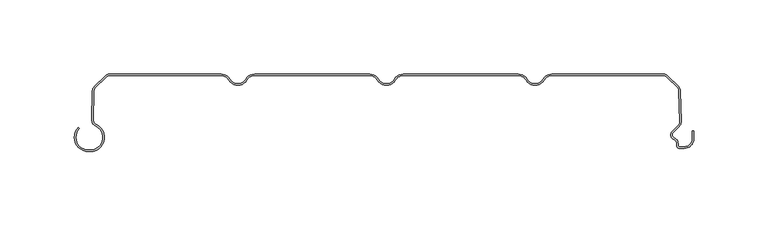
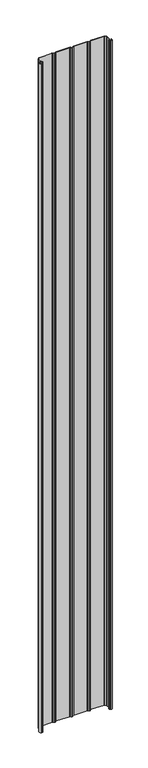
"""IFC4 building model written with IfcOpenShell, lengths in millimetres: plate geometry."""

from ifc_helpers import new_model, si_unit, point, frame_2d, origin, origin_with_axes, place, context, project, spatial, polyline, circle_curve, trimmed, segment, composite_curve, outline, extrude, source, transform, mapped, element, save


def plate_9e2b871a(model_context):
    return source(origin(), model_context, "Body", "SweptSolid", [
        extrude(outline(composite_curve([segment(polyline([(-200.5602536, -51.1554676), (-199.3062536, -51.1554676)]), True, "CONTINUOUS"), segment(trimmed(circle_curve(frame_2d((-199.3062536, -42.6554676)), 8.5), [point((-199.3062536, -51.1554676))], [point((-195.7922983, -34.9158218))], True, "CARTESIAN"), True, "CONTINUOUS"), segment(trimmed(circle_curve(frame_2d((-194.0973316, -31.1825808)), 4.1), [point((-195.7922983, -34.9158218))], [point((-198.1663398, -30.6794186))], False, "CARTESIAN"), True, "CONTINUOUS"), segment(trimmed(circle_curve(frame_2d((-297.0345923, -19.4848369)), 99.5), [point((-198.1663398, -30.6794186))], [point((-197.82984, -11.8253904))], True, "CARTESIAN"), True, "CONTINUOUS"), segment(trimmed(circle_curve(frame_2d((-193.7516341, -11.4032093)), 4.1), [point((-197.82984, -11.8253904))], [point((-196.6507719, -8.5040715))], False, "CARTESIAN"), True, "CONTINUOUS"), segment(polyline([(-196.6507719, -8.5040715), (-189.3475626, -1.2008622)]), True, "CONTINUOUS"), segment(trimmed(circle_curve(frame_2d((-186.4484248, -4.1)), 4.1), [point((-189.3475626, -1.2008622))], [point((-186.4484248, 0.0))], False, "CARTESIAN"), True, "CONTINUOUS"), segment(polyline([(-186.4484248, 0.0), (-111.2583302, 0.0)]), True, "CONTINUOUS"), segment(trimmed(circle_curve(frame_2d((-111.2583302, -7.0)), 7.0), [point((-111.2583302, 0.0))], [point((-105.1961524, -3.5))], False, "CARTESIAN"), True, "CONTINUOUS"), segment(trimmed(circle_curve(frame_2d((-100.0, -0.5)), 6.0), [point((-105.1961524, -3.5))], [point((-100.0, -6.5))], True, "CARTESIAN"), True, "CONTINUOUS"), segment(trimmed(circle_curve(frame_2d((-100.0, -0.5)), 6.0), [point((-100.0, -6.5))], [point((-94.8038476, -3.5))], True, "CARTESIAN"), True, "CONTINUOUS"), segment(trimmed(circle_curve(frame_2d((-88.7416698, -7.0)), 7.0), [point((-94.8038476, -3.5))], [point((-88.7416698, 0.0))], False, "CARTESIAN"), True, "CONTINUOUS"), segment(polyline([(-88.7416698, 0.0), (-11.2583302, 0.0)]), True, "CONTINUOUS"), segment(trimmed(circle_curve(frame_2d((-11.2583302, -7.0)), 7.0), [point((-11.2583302, 0.0))], [point((-5.1961524, -3.5))], False, "CARTESIAN"), True, "CONTINUOUS"), segment(trimmed(circle_curve(frame_2d((0.0, -0.5)), 6.0), [point((-5.1961524, -3.5))], [point((0.0, -6.5))], True, "CARTESIAN"), True, "CONTINUOUS"), segment(trimmed(circle_curve(frame_2d((0.0, -0.5)), 6.0), [point((0.0, -6.5))], [point((5.1961524, -3.5))], True, "CARTESIAN"), True, "CONTINUOUS"), segment(trimmed(circle_curve(frame_2d((11.2583302, -7.0)), 7.0), [point((5.1961524, -3.5))], [point((11.2583302, 0.0))], False, "CARTESIAN"), True, "CONTINUOUS"), segment(polyline([(11.2583302, 0.0), (88.7416698, 0.0)]), True, "CONTINUOUS"), segment(trimmed(circle_curve(frame_2d((88.7416698, -7.0)), 7.0), [point((88.7416698, 0.0))], [point((94.8038476, -3.5))], False, "CARTESIAN"), True, "CONTINUOUS"), segment(trimmed(circle_curve(frame_2d((100.0, -0.5)), 6.0), [point((94.8038476, -3.5))], [point((100.0, -6.5))], True, "CARTESIAN"), True, "CONTINUOUS"), segment(trimmed(circle_curve(frame_2d((100.0, -0.5)), 6.0), [point((100.0, -6.5))], [point((105.1961524, -3.5))], True, "CARTESIAN"), True, "CONTINUOUS"), segment(trimmed(circle_curve(frame_2d((111.2583302, -7.0)), 7.0), [point((105.1961524, -3.5))], [point((111.2583302, 0.0))], False, "CARTESIAN"), True, "CONTINUOUS"), segment(polyline([(111.2583302, 0.0), (186.4484248, 0.0)]), True, "CONTINUOUS"), segment(trimmed(circle_curve(frame_2d((186.4484248, -4.1)), 4.1), [point((186.4484248, 0.0))], [point((189.3475626, -1.2008622))], False, "CARTESIAN"), True, "CONTINUOUS"), segment(polyline([(189.3475626, -1.2008622), (196.6502639, -8.5035635)]), True, "CONTINUOUS"), segment(trimmed(circle_curve(frame_2d((193.7511261, -11.4027013)), 4.1), [point((196.6502639, -8.5035635))], [point((197.8293418, -11.8247881))], False, "CARTESIAN"), True, "CONTINUOUS"), segment(trimmed(circle_curve(frame_2d((297.0375761, -19.4390014)), 99.5), [point((197.8293418, -11.8247881))], [point((198.2850442, -31.6122279))], True, "CARTESIAN"), True, "CONTINUOUS"), segment(trimmed(circle_curve(frame_2d((193.9914801, -32.1706247)), 4.3297228), [point((198.2850442, -31.6122279))], [point((196.9270442, -35.3532279))], False, "CARTESIAN"), True, "CONTINUOUS"), segment(polyline([(196.9270442, -35.3532279), (192.8931689, -39.3871033)]), True, "CONTINUOUS"), segment(trimmed(circle_curve(frame_2d((194.4488038, -40.9427382)), 2.2), [point((192.8931689, -39.3871033))], [point((193.6238712, -42.98222))], True, "CARTESIAN"), True, "CONTINUOUS"), segment(trimmed(circle_curve(frame_2d((192.049, -46.8757763)), 4.2), [point((193.6238712, -42.98222))], [point((196.249, -46.8757763))], False, "CARTESIAN"), True, "CONTINUOUS"), segment(polyline([(196.249, -46.8757763), (196.249, -48.0)]), True, "CONTINUOUS"), segment(trimmed(circle_curve(frame_2d((197.249, -48.0)), 1.0), [point((196.249, -48.0))], [point((197.249, -49.0))], True, "CARTESIAN"), True, "CONTINUOUS"), segment(polyline([(197.249, -49.0), (200.55, -49.0)]), True, "CONTINUOUS"), segment(trimmed(circle_curve(frame_2d((200.55, -43.8)), 5.2), [point((200.55, -49.0))], [point((205.75, -43.8))], True, "CARTESIAN"), True, "CONTINUOUS"), segment(polyline([(205.75, -43.8), (205.75, -38.169), (206.75, -38.169), (206.75, -43.8)]), True, "CONTINUOUS"), segment(trimmed(circle_curve(frame_2d((200.55, -43.8)), 6.2), [point((206.75, -43.8))], [point((200.55, -50.0))], False, "CARTESIAN"), True, "CONTINUOUS"), segment(polyline([(200.55, -50.0), (197.249, -50.0)]), True, "CONTINUOUS"), segment(trimmed(circle_curve(frame_2d((197.249, -48.0)), 2.0), [point((197.249, -50.0))], [point((195.249, -48.0))], False, "CARTESIAN"), True, "CONTINUOUS"), segment(polyline([(195.249, -48.0), (195.249, -46.8757763)]), True, "CONTINUOUS"), segment(trimmed(circle_curve(frame_2d((192.049, -46.8757763)), 3.2), [point((195.249, -46.8757763))], [point((193.2489019, -43.9092572))], True, "CARTESIAN"), True, "CONTINUOUS"), segment(trimmed(circle_curve(frame_2d((194.4488038, -40.9427382)), 3.2), [point((193.2489019, -43.9092572))], [point((192.1860621, -38.6799965))], False, "CARTESIAN"), True, "CONTINUOUS"), segment(polyline([(192.1860621, -38.6799965), (196.2351433, -34.6309152)]), True, "CONTINUOUS"), segment(trimmed(circle_curve(frame_2d((193.9914801, -32.1706247)), 3.3297228), [point((196.2351433, -34.6309152))], [point((197.2929927, -31.7381109))], True, "CARTESIAN"), True, "CONTINUOUS"), segment(trimmed(circle_curve(frame_2d((297.0375761, -19.4390014)), 100.5), [point((197.2929927, -31.7381109))], [point((196.8333637, -11.7340799))], False, "CARTESIAN"), True, "CONTINUOUS"), segment(trimmed(circle_curve(frame_2d((193.7511261, -11.4027013)), 3.1), [point((196.8333637, -11.7340799))], [point((195.9431572, -9.2106703))], True, "CARTESIAN"), True, "CONTINUOUS"), segment(polyline([(195.9431572, -9.2106703), (188.6404559, -1.907969)]), True, "CONTINUOUS"), segment(trimmed(circle_curve(frame_2d((186.4484248, -4.1)), 3.1), [point((188.6404559, -1.907969))], [point((186.4484248, -1.0))], True, "CARTESIAN"), True, "CONTINUOUS"), segment(polyline([(186.4484248, -1.0), (111.2583302, -1.0)]), True, "CONTINUOUS"), segment(trimmed(circle_curve(frame_2d((111.2583302, -7.0)), 6.0), [point((111.2583302, -1.0))], [point((106.0621778, -4.0))], True, "CARTESIAN"), True, "CONTINUOUS"), segment(trimmed(circle_curve(frame_2d((100.0, -0.5)), 7.0), [point((106.0621778, -4.0))], [point((100.0, -7.5))], False, "CARTESIAN"), True, "CONTINUOUS"), segment(trimmed(circle_curve(frame_2d((100.0, -0.5)), 7.0), [point((100.0, -7.5))], [point((93.9378222, -4.0))], False, "CARTESIAN"), True, "CONTINUOUS"), segment(trimmed(circle_curve(frame_2d((88.7416698, -7.0)), 6.0), [point((93.9378222, -4.0))], [point((88.7416698, -1.0))], True, "CARTESIAN"), True, "CONTINUOUS"), segment(polyline([(88.7416698, -1.0), (11.2583302, -1.0)]), True, "CONTINUOUS"), segment(trimmed(circle_curve(frame_2d((11.2583302, -7.0)), 6.0), [point((11.2583302, -1.0))], [point((6.0621778, -4.0))], True, "CARTESIAN"), True, "CONTINUOUS"), segment(trimmed(circle_curve(frame_2d((0.0, -0.5)), 7.0), [point((6.0621778, -4.0))], [point((0.0, -7.5))], False, "CARTESIAN"), True, "CONTINUOUS"), segment(trimmed(circle_curve(frame_2d((0.0, -0.5)), 7.0), [point((0.0, -7.5))], [point((-6.0621778, -4.0))], False, "CARTESIAN"), True, "CONTINUOUS"), segment(trimmed(circle_curve(frame_2d((-11.2583302, -7.0)), 6.0), [point((-6.0621778, -4.0))], [point((-11.2583302, -1.0))], True, "CARTESIAN"), True, "CONTINUOUS"), segment(polyline([(-11.2583302, -1.0), (-88.7416698, -1.0)]), True, "CONTINUOUS"), segment(trimmed(circle_curve(frame_2d((-88.7416698, -7.0)), 6.0), [point((-88.7416698, -1.0))], [point((-93.9378222, -4.0))], True, "CARTESIAN"), True, "CONTINUOUS"), segment(trimmed(circle_curve(frame_2d((-100.0, -0.5)), 7.0), [point((-93.9378222, -4.0))], [point((-100.0, -7.5))], False, "CARTESIAN"), True, "CONTINUOUS"), segment(trimmed(circle_curve(frame_2d((-100.0, -0.5)), 7.0), [point((-100.0, -7.5))], [point((-106.0621778, -4.0))], False, "CARTESIAN"), True, "CONTINUOUS"), segment(trimmed(circle_curve(frame_2d((-111.2583302, -7.0)), 6.0), [point((-106.0621778, -4.0))], [point((-111.2583302, -1.0))], True, "CARTESIAN"), True, "CONTINUOUS"), segment(polyline([(-111.2583302, -1.0), (-186.4484248, -1.0)]), True, "CONTINUOUS"), segment(trimmed(circle_curve(frame_2d((-186.4484248, -4.1)), 3.1), [point((-186.4484248, -1.0))], [point((-188.6404559, -1.907969))], True, "CARTESIAN"), True, "CONTINUOUS"), segment(polyline([(-188.6404559, -1.907969), (-195.9436651, -9.2111782)]), True, "CONTINUOUS"), segment(trimmed(circle_curve(frame_2d((-193.7516341, -11.4032093)), 3.1), [point((-195.9436651, -9.2111782))], [point((-196.8338854, -11.7344595))], True, "CARTESIAN"), True, "CONTINUOUS"), segment(trimmed(circle_curve(frame_2d((-297.0345923, -19.4848369)), 100.5), [point((-196.8338854, -11.7344595))], [point((-197.1733096, -30.7974064))], False, "CARTESIAN"), True, "CONTINUOUS"), segment(trimmed(circle_curve(frame_2d((-194.0973316, -31.1825808)), 3.1), [point((-197.1733096, -30.7974064))], [point((-195.3788918, -34.0052752))], True, "CARTESIAN"), True, "CONTINUOUS"), segment(trimmed(circle_curve(frame_2d((-199.3062536, -42.6554676)), 9.5), [point((-195.3788918, -34.0052752))], [point((-199.3062536, -52.1554676))], False, "CARTESIAN"), True, "CONTINUOUS"), segment(polyline([(-199.3062536, -52.1554676), (-200.5602536, -52.1554676)]), True, "CONTINUOUS"), segment(trimmed(circle_curve(frame_2d((-200.5602536, -42.6554676)), 9.5), [point((-200.5602536, -52.1554676))], [point((-207.277768, -35.9379532))], False, "CARTESIAN"), True, "CONTINUOUS"), segment(polyline([(-207.277768, -35.9379532), (-206.5706612, -36.64506)]), True, "CONTINUOUS"), segment(trimmed(circle_curve(frame_2d((-200.5602536, -42.6554676)), 8.5), [point((-206.5706612, -36.64506))], [point((-200.5602536, -51.1554676))], True, "CARTESIAN"), True, "CONTINUOUS")], self_intersect=False)), origin_with_axes(), (0.0, 0.0, 1.0), 4061.7064475),
    ])


if __name__ == "__main__":
    model = new_model("IFC4")
    model_context = context("Model", 3, world=origin())
    ifc_project = project(units=[si_unit("LENGTHUNIT", "METRE", prefix="MILLI")], contexts=[model_context])
    site = spatial("IfcSite", under=ifc_project)
    building = spatial("IfcBuilding", under=site)
    placement = place(None, origin())
    plate_shape = plate_9e2b871a(model_context)
    element("IfcPlate", 1, at=placement, inside=building, context=model_context, shape_type="MappedRepresentation", body=[
        mapped(plate_shape, transform((0.0, 0.0, 0.0), x_axis=(1.0, 0.0, 0.0), y_axis=(0.0, 1.0, 0.0), z_axis=(0.0, 0.0, 1.0))),
    ])
    save(model, "model.ifc")
